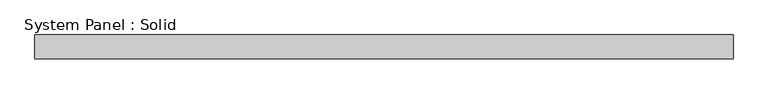
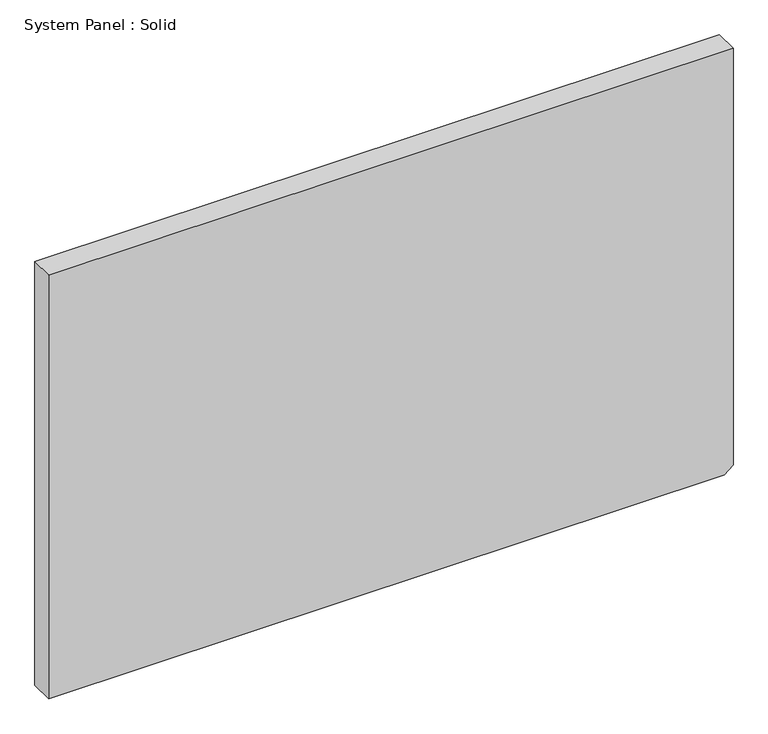
"""IFC4 building model written with IfcOpenShell, lengths in millimetres: plate geometry, System Panel : Solid."""

from ifc_helpers import new_model, si_unit, frame, origin, place, context, project, spatial, polyline, outline, extrude, source, transform, mapped, element, save


def system_panel_solid_8f8ccdfa(model_context):
    return source(origin(), model_context, "Body", "SweptSolid", [
        extrude(outline(polyline([(0.0, -870.5), (0.0, 848.2178015), (19.7686602, 870.5), (1140.0, 870.5), (1140.0, -870.5), (0.0, -870.5)])), frame((0.0, -10.5, 0.0), z_axis=(0.0, 1.0, 0.0), x_axis=(0.0, 0.0, 1.0)), (0.0, 0.0, 1.0), 60.0),
    ])


if __name__ == "__main__":
    model = new_model("IFC4")
    model_context = context("Model", 3, world=origin())
    ifc_project = project(units=[si_unit("LENGTHUNIT", "METRE", prefix="MILLI")], contexts=[model_context])
    site = spatial("IfcSite", under=ifc_project)
    building = spatial("IfcBuilding", under=site)
    placement = place(None, origin())
    system_panel_solid_shape = system_panel_solid_8f8ccdfa(model_context)
    element("IfcPlate", 1, ObjectType="System Panel : Solid", at=placement, inside=building, context=model_context, shape_type="MappedRepresentation", body=[
        mapped(system_panel_solid_shape, transform((0.0, 0.0, 0.0), x_axis=(1.0, 0.0, 0.0), y_axis=(0.0, 1.0, 0.0), z_axis=(0.0, 0.0, 1.0))),
    ])
    save(model, "model.ifc")
